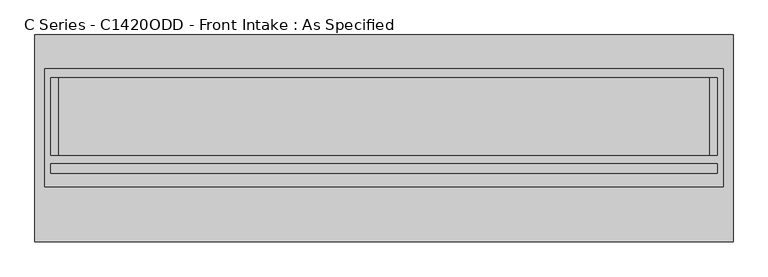
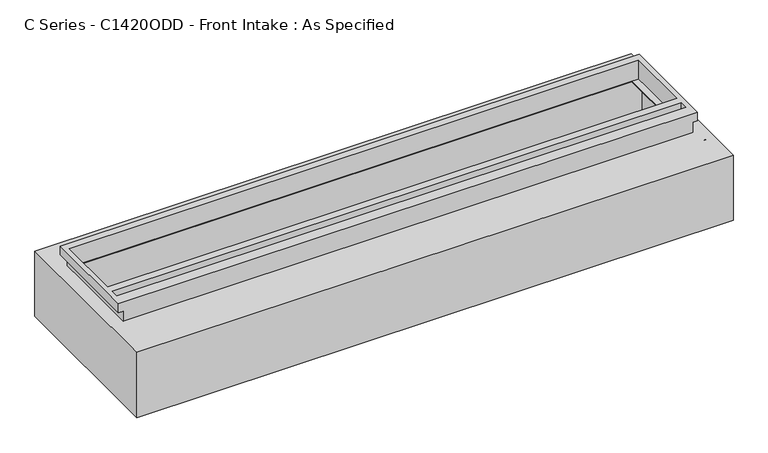
"""IFC4 building model written with IfcOpenShell, lengths in millimetres: proxy geometry, C Series - C1420ODD - Front Intake : As Specified."""

from ifc_helpers import new_model, si_unit, frame, origin, place, context, project, spatial, polyline, circle_curve, faceted_brep, source, transform, mapped, element, save
from ifc_brep_helpers import plane_surface, revolved_surface, advanced_brep


def c_series_c1420odd_front_intake_as_specified_e0db9e29(model_context):
    return source(origin(), model_context, "Body", "SolidModel", [
        advanced_brep(
        [(2288.38125, 678.7058594, -530.3242188), (2288.38125, -678.7058594, -530.3242188), (-2288.38125, -678.7058594, -530.3242188), (-2288.38125, 678.7058594, -530.3242188), (2288.38125, 678.7058594, 0.0), (-2288.38125, 678.7058594, 0.0), (-2288.38125, -678.7058594, 0.0), (2288.38125, -678.7058594, 0.0), (2133.6, 399.2065905, 0.0), (2133.6, -108.7933661, 0.0), (-2133.6, -108.7933661, 0.0), (-2133.6, 399.2065905, 0.0), (2288.38125, -318.2441406, -430.3117188), (2288.38125, -340.4691406, -430.3117188), (2288.38125, -216.6441406, -430.3117188), (2288.38125, -238.8691406, -430.3117188), (2288.38125, -318.2441406, -100.1117188), (2288.38125, -340.4691406, -100.1117188), (2288.38125, -216.6441406, -100.1117188), (2288.38125, -238.8691406, -100.1117188), (2222.5, 416.7683594, -527.05), (-2222.5, 416.7683594, -527.05), (-2222.5, -129.3316406, -527.05), (2222.5, -129.3316406, -527.05), (2222.5, 416.7683594, -3.175), (2222.5, -129.3316406, -3.175), (-2222.5, -129.3316406, -3.175), (-2222.5, 416.7683594, -3.175), (2133.6, -108.7933661, -3.175), (2133.6, 399.2065905, -3.175), (-2133.6, 399.2065905, -3.175), (-2133.6, -108.7933661, -3.175), (2272.528271, -340.4691406, -430.3117188), (2272.528271, -318.2441406, -430.3117188), (2272.528271, -238.8691406, -430.3117188), (2272.528271, -216.6441406, -430.3117188), (2272.528271, -340.4691406, -100.1117188), (2272.528271, -318.2441406, -100.1117188), (2272.528271, -238.8691406, -100.1117188), (2272.528271, -216.6441406, -100.1117188)],
        [
            (0, 1),
            (1, 2),
            (2, 3),
            (3, 0),
            (4, 5),
            (5, 6),
            (6, 7),
            (7, 4),
            (8, 9),
            (9, 10),
            (10, 11),
            (11, 8),
            (3, 5),
            (4, 0),
            (2, 6),
            (1, 7),
            (12, 13, circle_curve(frame((2288.38125, -329.3566406, -430.3117188), z_axis=(-1.0, 0.0, 0.0), x_axis=(0.0, 1.0, 0.0)), 11.1125)),
            (13, 12, circle_curve(frame((2288.38125, -329.3566406, -430.3117188), z_axis=(-1.0, 0.0, 0.0), x_axis=(0.0, 1.0, 0.0)), 11.1125)),
            (14, 15, circle_curve(frame((2288.38125, -227.7566406, -430.3117188), z_axis=(-1.0, 0.0, 0.0), x_axis=(0.0, 1.0, 0.0)), 11.1125)),
            (15, 14, circle_curve(frame((2288.38125, -227.7566406, -430.3117188), z_axis=(-1.0, 0.0, 0.0), x_axis=(0.0, 1.0, 0.0)), 11.1125)),
            (16, 17, circle_curve(frame((2288.38125, -329.3566406, -100.1117188), z_axis=(-1.0, 0.0, 0.0), x_axis=(0.0, 1.0, 0.0)), 11.1125)),
            (17, 16, circle_curve(frame((2288.38125, -329.3566406, -100.1117188), z_axis=(-1.0, 0.0, 0.0), x_axis=(0.0, 1.0, 0.0)), 11.1125)),
            (18, 19, circle_curve(frame((2288.38125, -227.7566406, -100.1117188), z_axis=(-1.0, 0.0, 0.0), x_axis=(0.0, 1.0, 0.0)), 11.1125)),
            (19, 18, circle_curve(frame((2288.38125, -227.7566406, -100.1117188), z_axis=(-1.0, 0.0, 0.0), x_axis=(0.0, 1.0, 0.0)), 11.1125)),
            (20, 21),
            (21, 22),
            (22, 23),
            (23, 20),
            (24, 25),
            (25, 26),
            (26, 27),
            (27, 24),
            (28, 29),
            (29, 30),
            (30, 31),
            (31, 28),
            (23, 25),
            (24, 20),
            (22, 26),
            (21, 27),
            (8, 29),
            (28, 9),
            (31, 10),
            (30, 11),
            (32, 33, circle_curve(frame((2272.528271, -329.3566406, -430.3117188), z_axis=(1.0, 0.0, 0.0), x_axis=(0.0, 1.0, 0.0)), 11.1125)),
            (33, 32, circle_curve(frame((2272.528271, -329.3566406, -430.3117188), z_axis=(1.0, 0.0, 0.0), x_axis=(0.0, 1.0, 0.0)), 11.1125)),
            (34, 35, circle_curve(frame((2272.528271, -227.7566406, -430.3117188), z_axis=(1.0, 0.0, 0.0), x_axis=(0.0, 1.0, 0.0)), 11.1125)),
            (35, 34, circle_curve(frame((2272.528271, -227.7566406, -430.3117188), z_axis=(1.0, 0.0, 0.0), x_axis=(0.0, 1.0, 0.0)), 11.1125)),
            (36, 37, circle_curve(frame((2272.528271, -329.3566406, -100.1117188), z_axis=(1.0, 0.0, 0.0), x_axis=(0.0, 1.0, 0.0)), 11.1125)),
            (37, 36, circle_curve(frame((2272.528271, -329.3566406, -100.1117188), z_axis=(1.0, 0.0, 0.0), x_axis=(0.0, 1.0, 0.0)), 11.1125)),
            (38, 39, circle_curve(frame((2272.528271, -227.7566406, -100.1117188), z_axis=(1.0, 0.0, 0.0), x_axis=(0.0, 1.0, 0.0)), 11.1125)),
            (39, 38, circle_curve(frame((2272.528271, -227.7566406, -100.1117188), z_axis=(1.0, 0.0, 0.0), x_axis=(0.0, 1.0, 0.0)), 11.1125)),
            (32, 13),
            (12, 33),
            (34, 15),
            (14, 35),
            (36, 17),
            (16, 37),
            (38, 19),
            (18, 39),
        ],
        [
            plane_surface(frame((-2288.38125, 678.7058594, -530.3242188), z_axis=(0.0, 0.0, -1.0), x_axis=(1.0, 0.0, 0.0))),
            plane_surface(frame((-2288.38125, 678.7058594, 0.0), z_axis=(0.0, 0.0, 1.0), x_axis=(-1.0, 0.0, 0.0))),
            plane_surface(frame((2288.38125, 678.7058594, 0.0), z_axis=(0.0, 1.0, 0.0), x_axis=(0.0, 0.0, -1.0))),
            plane_surface(frame((-2288.38125, 678.7058594, 0.0), z_axis=(-1.0, 0.0, 0.0), x_axis=(0.0, 0.0, -1.0))),
            plane_surface(frame((-2288.38125, -678.7058594, 0.0), z_axis=(0.0, -1.0, 0.0), x_axis=(0.0, 0.0, -1.0))),
            plane_surface(frame((2288.38125, -678.7058594, 0.0), z_axis=(1.0, 0.0, 0.0), x_axis=(0.0, 0.0, -1.0))),
            plane_surface(frame((2222.5, 416.7683594, -527.05), z_axis=(0.0, 0.0, 1.0), x_axis=(0.0, -1.0, 0.0))),
            plane_surface(frame((2222.5, 416.7683594, -3.175), z_axis=(0.0, 0.0, -1.0), x_axis=(0.0, 1.0, 0.0))),
            plane_surface(frame((2222.5, 416.7683594, -527.05), z_axis=(-1.0, 0.0, 0.0), x_axis=(0.0, 0.0, 1.0))),
            plane_surface(frame((2222.5, -129.3316406, -527.05), z_axis=(0.0, 1.0, 0.0), x_axis=(0.0, 0.0, 1.0))),
            plane_surface(frame((-2222.5, -129.3316406, -527.05), z_axis=(1.0, 0.0, 0.0), x_axis=(0.0, 0.0, 1.0))),
            plane_surface(frame((-2222.5, 416.7683594, -527.05), z_axis=(0.0, -1.0, 0.0), x_axis=(0.0, 0.0, 1.0))),
            plane_surface(frame((2133.6, 399.2065905, -25.4), z_axis=(-1.0, 0.0, 0.0), x_axis=(0.0, 0.0, 1.0))),
            plane_surface(frame((2133.6, -108.7933661, -25.4), z_axis=(0.0, 1.0, 0.0), x_axis=(0.0, 0.0, 1.0))),
            plane_surface(frame((-2133.6, -108.7933661, -25.4), z_axis=(1.0, 0.0, 0.0), x_axis=(0.0, 0.0, 1.0))),
            plane_surface(frame((-2133.6, 399.2065905, -25.4), z_axis=(0.0, -1.0, 0.0), x_axis=(0.0, 0.0, 1.0))),
            plane_surface(frame((2272.528271, -318.2441406, -430.3117188), z_axis=(1.0, 0.0, 0.0), x_axis=(0.0, 0.0, -1.0))),
            revolved_surface(polyline([(2288.38125, -318.2441406, -430.3117188), (2272.528271, -318.2441406, -430.3117188)]), (2272.528271, -329.3566406, -430.3117188), (1.0, 0.0, 0.0)),
            revolved_surface(polyline([(2288.38125, -216.6441406, -430.3117188), (2272.528271, -216.6441406, -430.3117188)]), (0.0, -227.7566406, -430.3117188), (1.0, 0.0, 0.0)),
            revolved_surface(polyline([(2288.38125, -318.2441406, -100.1117187), (2272.528271, -318.2441406, -100.1117187)]), (0.0, -329.3566406, -100.1117187), (1.0, 0.0, 0.0)),
            revolved_surface(polyline([(2288.38125, -216.6441406, -100.1117188), (2272.528271, -216.6441406, -100.1117188)]), (0.0, -227.7566406, -100.1117188), (1.0, 0.0, 0.0)),
        ],
        [
            (0, [[1, 2, 3, 4]]),
            (1, [[5, 6, 7, 8], [9, 10, 11, 12]]),
            (2, [[-4, 13, -5, 14]]),
            (3, [[-3, 15, -6, -13]]),
            (4, [[-2, 16, -7, -15]]),
            (5, [[-1, -14, -8, -16], [17, 18], [19, 20], [21, 22], [23, 24]]),
            (6, [[25, 26, 27, 28]]),
            (7, [[29, 30, 31, 32], [33, 34, 35, 36]]),
            (8, [[-28, 37, -29, 38]]),
            (9, [[-27, 39, -30, -37]]),
            (10, [[-26, 40, -31, -39]]),
            (11, [[-25, -38, -32, -40]]),
            (12, [[41, -33, 42, -9]]),
            (13, [[-42, -36, 43, -10]]),
            (14, [[-43, -35, 44, -11]]),
            (15, [[-41, -12, -44, -34]]),
            (16, [[45, 46]]),
            (16, [[47, 48]]),
            (16, [[49, 50]]),
            (16, [[51, 52]]),
            (17, [[-45, 53, -17, 54]]),
            (17, [[-46, -54, -18, -53]]),
            (18, [[-47, 55, -19, 56]]),
            (18, [[-48, -56, -20, -55]]),
            (19, [[-49, 57, -21, 58]]),
            (19, [[-50, -58, -22, -57]]),
            (20, [[-51, 59, -23, 60]]),
            (20, [[-52, -60, -24, -59]]),
        ],
    ),
        faceted_brep([(2222.5, 456.4558594, 152.4), (-2222.5, 456.4558594, 152.4), (-2222.5, -318.2441406, 152.4), (2222.5, -318.2441406, 152.4), (2184.4, 399.2065905, 152.4), (2184.4, -108.7933661, 152.4), (-2184.4, -108.7933661, 152.4), (-2184.4, 399.2065905, 152.4), (2184.4, -167.4316406, 152.4), (2184.4, -227.7566406, 152.4), (-2184.4, -227.7566406, 152.4), (-2184.4, -167.4316406, 152.4), (2187.575, -318.2441406, 0.0), (-2187.575, -318.2441406, 0.0), (-2187.575, 421.5308594, 0.0), (2187.575, 421.5308594, 0.0), (2184.4, -108.7933661, 0.0), (2184.4, 399.2065905, 0.0), (-2184.4, 399.2065905, 0.0), (-2184.4, -108.7933661, 0.0), (2222.5, 456.4558594, 82.55), (-2222.5, 456.4558594, 82.55), (-2222.5, -318.2441406, 82.55), (-2187.575, -318.2441406, 82.55), (2187.575, -318.2441406, 82.55), (2222.5, -318.2441406, 82.55), (2187.575, 421.5308594, 82.55), (-2187.575, 421.5308594, 82.55), (2184.4, -167.4316406, 82.55), (-2184.4, -167.4316406, 82.55), (-2184.4, -227.7566406, 82.55), (2184.4, -227.7566406, 82.55)], [[[0, 1, 2, 3], [4, 5, 6, 7], [8, 9, 10, 11]], [[12, 13, 14, 15], [16, 17, 18, 19]], [[1, 0, 20, 21]], [[2, 1, 21, 22]], [[3, 2, 22, 23, 13, 12, 24, 25]], [[0, 3, 25, 20]], [[24, 26, 27, 23, 22, 21, 20, 25]], [[26, 24, 12, 15]], [[27, 26, 15, 14]], [[23, 27, 14, 13]], [[16, 5, 4, 17]], [[5, 16, 19, 6]], [[6, 19, 18, 7]], [[17, 4, 7, 18]], [[28, 29, 30, 31]], [[28, 31, 9, 8]], [[31, 30, 10, 9]], [[30, 29, 11, 10]], [[29, 28, 8, 11]]]),
    ])


if __name__ == "__main__":
    model = new_model("IFC4")
    model_context = context("Model", 3, world=origin())
    ifc_project = project(units=[si_unit("LENGTHUNIT", "METRE", prefix="MILLI")], contexts=[model_context])
    site = spatial("IfcSite", under=ifc_project)
    building = spatial("IfcBuilding", under=site)
    placement = place(None, origin())
    c_series_c1420odd_front_intake_as_specified_shape = c_series_c1420odd_front_intake_as_specified_e0db9e29(model_context)
    element("IfcBuildingElementProxy", 1, Name="C Series - C1420ODD - Front Intake : As Specified", ObjectType="C Series - C1420ODD - Front Intake : As Specified", at=placement, inside=building, context=model_context, shape_type="MappedRepresentation", body=[
        mapped(c_series_c1420odd_front_intake_as_specified_shape, transform((0.0, 0.0, 0.0), x_axis=(1.0, 0.0, 0.0), y_axis=(0.0, 1.0, 0.0), z_axis=(0.0, 0.0, 1.0))),
    ])
    save(model, "model.ifc")
